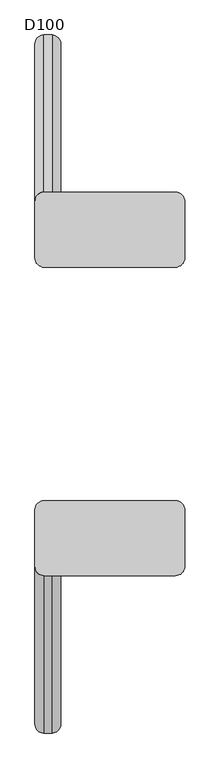
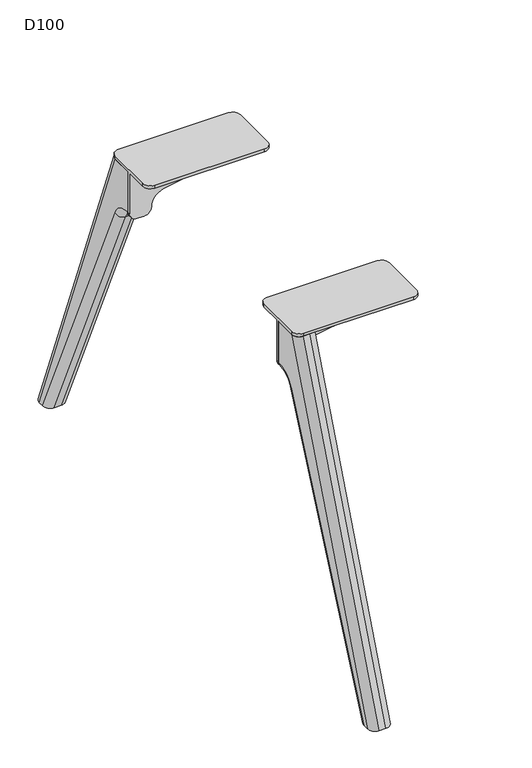
"""IFC4 building model written with IfcOpenShell, lengths in millimetres: furniture geometry, D100."""

from ifc_helpers import new_model, si_unit, point, frame, origin, place, context, project, spatial, polyline, circle_curve, ellipse_curve, trimmed, source, transform, mapped, element, save
from ifc_brep_helpers import plane_surface, cylinder_surface, revolved_surface, advanced_brep


def d100_605b559c(model_context):
    return source(origin(), model_context, "Body", "AdvancedBrep", [
        advanced_brep(
        [(-1783.0, 202.7236545, 706.0), (-1555.0, 202.7236545, 706.0), (-1539.0, 218.7236545, 706.0), (-1539.0, 316.7236545, 706.0), (-1555.0, 332.7236545, 706.0), (-1783.0, 332.7236545, 706.0), (-1799.0, 316.7236545, 706.0), (-1799.0, 218.7236545, 706.0), (-1799.0, 316.7236545, 700.0), (-1783.0, 332.7236545, 700.0), (-1555.0, 332.7236545, 700.0), (-1539.0, 316.7236545, 700.0), (-1539.0, 270.7236545, 700.0), (-1799.0, 270.7236545, 700.0), (-1783.0, 202.7236545, 700.0), (-1799.0, 218.7236545, 700.0), (-1799.0, 264.7236545, 700.0), (-1539.0, 264.7236545, 700.0), (-1539.0, 218.7236545, 700.0), (-1555.0, 202.7236545, 700.0), (-1799.0, 270.7236545, 611.0), (-1799.0, 264.7236545, 611.0), (-1539.0, 264.7236545, 692.1898324), (-1539.0, 270.7236545, 692.1898324), (-1729.2740174, 270.7236545, 641.5327762), (-1754.0036896, 270.7236545, 611.3326759), (-1769.0, 270.7236545, 596.0), (-1784.0, 270.7236545, 596.0), (-1555.4913675, 270.7236545, 672.5), (-1729.2740174, 264.7236545, 641.5327762), (-1555.4913675, 264.7236545, 672.5), (-1784.0, 264.7236545, 596.0), (-1769.0, 264.7236545, 596.0), (-1754.0036896, 264.7236545, 611.3326759)],
        [
            (0, 1),
            (1, 2, circle_curve(frame((-1555.0, 218.7236545, 706.0), z_axis=(0.0, 0.0, 1.0), x_axis=(1.0, 0.0, 0.0)), 16.0)),
            (2, 3),
            (3, 4, circle_curve(frame((-1555.0, 316.7236545, 706.0), z_axis=(0.0, 0.0, 1.0), x_axis=(1.0, 0.0, 0.0)), 16.0)),
            (4, 5),
            (5, 6, circle_curve(frame((-1783.0, 316.7236545, 706.0), z_axis=(0.0, 0.0, 1.0), x_axis=(1.0, 0.0, 0.0)), 16.0)),
            (6, 7),
            (7, 0, circle_curve(frame((-1783.0, 218.7236545, 706.0), z_axis=(0.0, 0.0, 1.0), x_axis=(1.0, 0.0, 0.0)), 16.0)),
            (8, 9, circle_curve(frame((-1783.0, 316.7236545, 700.0), z_axis=(0.0, 0.0, -1.0), x_axis=(1.0, 0.0, 0.0)), 16.0)),
            (9, 10),
            (10, 11, circle_curve(frame((-1555.0, 316.7236545, 700.0), z_axis=(0.0, 0.0, -1.0), x_axis=(1.0, 0.0, 0.0)), 16.0)),
            (11, 12),
            (12, 13),
            (13, 8),
            (14, 15, circle_curve(frame((-1783.0, 218.7236545, 700.0), z_axis=(0.0, 0.0, -1.0), x_axis=(1.0, 0.0, 0.0)), 16.0)),
            (15, 16),
            (16, 17),
            (17, 18),
            (18, 19, circle_curve(frame((-1555.0, 218.7236545, 700.0), z_axis=(0.0, 0.0, -1.0), x_axis=(1.0, 0.0, 0.0)), 16.0)),
            (19, 14),
            (7, 15),
            (14, 0),
            (6, 8),
            (13, 20),
            (20, 21),
            (21, 16),
            (5, 9),
            (4, 10),
            (3, 11),
            (2, 18),
            (17, 22),
            (22, 23),
            (23, 12),
            (1, 19),
            (24, 25, circle_curve(frame((-1724.0110687, 270.7236545, 611.9980276), z_axis=(0.0, -1.0, 0.0), x_axis=(-1.0, 0.0, 0.0)), 30.0)),
            (25, 26, circle_curve(frame((-1769.0, 270.7236545, 611.0), z_axis=(0.0, 1.0, 0.0), x_axis=(-1.0, 0.0, 0.0)), 15.0)),
            (26, 27),
            (27, 20, circle_curve(frame((-1784.0, 270.7236545, 611.0), z_axis=(0.0, 1.0, 0.0), x_axis=(-1.0, 0.0, 0.0)), 15.0)),
            (23, 28, circle_curve(frame((-1559.0, 270.7236545, 692.1898324), z_axis=(0.0, 1.0, 0.0), x_axis=(-1.0, 0.0, 0.0)), 20.0)),
            (28, 24),
            (29, 30),
            (30, 22, circle_curve(frame((-1559.0, 264.7236545, 692.1898324), z_axis=(0.0, -1.0, 0.0), x_axis=(-1.0, 0.0, 0.0)), 20.0)),
            (21, 31, circle_curve(frame((-1784.0, 264.7236545, 611.0), z_axis=(0.0, -1.0, 0.0), x_axis=(-1.0, 0.0, 0.0)), 15.0)),
            (31, 32),
            (32, 33, circle_curve(frame((-1769.0, 264.7236545, 611.0), z_axis=(0.0, -1.0, 0.0), x_axis=(-1.0, 0.0, 0.0)), 15.0)),
            (33, 29, circle_curve(frame((-1724.0110687, 264.7236545, 611.9980276), z_axis=(0.0, 1.0, 0.0), x_axis=(-1.0, 0.0, 0.0)), 30.0)),
            (24, 29),
            (33, 25),
            (30, 28),
            (32, 26),
            (31, 27),
        ],
        [
            plane_surface(frame((-1555.0, 202.7236545, 706.0), z_axis=(0.0, 0.0, 1.0), x_axis=(1.0, 0.0, 0.0))),
            plane_surface(frame((-1555.0, 202.7236545, 700.0), z_axis=(0.0, 0.0, -1.0), x_axis=(-1.0, 0.0, 0.0))),
            cylinder_surface(frame((-1783.0, 218.7236545, 700.0), z_axis=(0.0, 0.0, 1.0), x_axis=(1.0, 0.0, 0.0)), 16.0),
            plane_surface(frame((-1799.0, 316.7236545, 706.0), z_axis=(-1.0, 0.0, 0.0), x_axis=(0.0, 0.0, -1.0))),
            cylinder_surface(frame((-1783.0, 316.7236545, 700.0), z_axis=(0.0, 0.0, 1.0), x_axis=(1.0, 0.0, 0.0)), 16.0),
            plane_surface(frame((-1555.0, 332.7236545, 706.0), z_axis=(0.0, 1.0, 0.0), x_axis=(0.0, 0.0, -1.0))),
            cylinder_surface(frame((-1555.0, 316.7236545, 700.0), z_axis=(0.0, 0.0, 1.0), x_axis=(1.0, 0.0, 0.0)), 16.0),
            plane_surface(frame((-1539.0, 218.7236545, 706.0), z_axis=(1.0, 0.0, 0.0), x_axis=(0.0, 0.0, -1.0))),
            cylinder_surface(frame((-1555.0, 218.7236545, 700.0), z_axis=(0.0, 0.0, 1.0), x_axis=(1.0, 0.0, 0.0)), 16.0),
            plane_surface(frame((-1783.0, 202.7236545, 706.0), z_axis=(0.0, -1.0, 0.0), x_axis=(0.0, 0.0, -1.0))),
            plane_surface(frame((-1754.0110687, 270.7236545, 611.9980276), z_axis=(0.0, 1.0, 0.0), x_axis=(0.0, 0.0, -1.0))),
            plane_surface(frame((-1754.0110687, 264.7236545, 611.9980276), z_axis=(0.0, -1.0, 0.0), x_axis=(0.0, 0.0, 1.0))),
            revolved_surface(polyline([(-1754.0110687, 264.7236545, 611.9980276), (-1754.0110687, 270.7236545, 611.9980276)]), (-1724.0110687, 264.7236545, 611.9980276), (0.0, -1.0, 0.0)),
            cylinder_surface(frame((-1559.0, 264.7236545, 692.1898324), z_axis=(0.0, 1.0, 0.0), x_axis=(-1.0, 0.0, 0.0)), 20.0),
            plane_surface(frame((-1555.4913675, 270.7236545, 672.5), z_axis=(0.17543162299465065, 0.0, -0.9844916178685641), x_axis=(0.0, -1.0, 0.0))),
            cylinder_surface(frame((-1769.0, 264.7236545, 611.0), z_axis=(0.0, 1.0, 0.0), x_axis=(-1.0, 0.0, 0.0)), 15.0),
            plane_surface(frame((-1769.0, 270.7236545, 596.0), z_axis=(0.0, 0.0, -1.0), x_axis=(0.0, -1.0, 0.0))),
            cylinder_surface(frame((-1784.0, 264.7236545, 611.0), z_axis=(0.0, 1.0, 0.0), x_axis=(-1.0, 0.0, 0.0)), 15.0),
        ],
        [
            (0, [[1, 2, 3, 4, 5, 6, 7, 8]]),
            (1, [[9, 10, 11, 12, 13, 14]]),
            (1, [[15, 16, 17, 18, 19, 20]]),
            (2, [[-8, 21, -15, 22]]),
            (3, [[-21, -7, 23, -14, 24, 25, 26, -16]]),
            (4, [[-6, 27, -9, -23]]),
            (5, [[-5, 28, -10, -27]]),
            (6, [[-4, 29, -11, -28]]),
            (7, [[-29, -3, 30, -18, 31, 32, 33, -12]]),
            (8, [[-2, 34, -19, -30]]),
            (9, [[-1, -22, -20, -34]]),
            (10, [[35, 36, 37, 38, -24, -13, -33, 39, 40]]),
            (11, [[41, 42, -31, -17, -26, 43, 44, 45, 46]]),
            (12, [[-35, 47, -46, 48]]),
            (13, [[-39, -32, -42, 49]]),
            (14, [[-40, -49, -41, -47]]),
            (15, [[-36, -48, -45, 50]]),
            (16, [[-37, -50, -44, 51]]),
            (17, [[-38, -51, -43, -25]]),
        ],
    ),
        advanced_brep(
        [(-1754.0, 316.6217076, 700.0), (-1754.0, 270.7236545, 700.0), (-1754.0, 270.7236545, 611.0), (-1754.0, 272.7758244, 611.0), (-1754.0, 319.3435487, 580.82862), (-1754.0, 579.4203292, 0.0), (-1754.0, 589.8218305, 0.0), (-1799.0, 270.7236545, 700.0), (-1799.0, 316.6217076, 700.0), (-1799.0, 589.8218305, 0.0), (-1799.0, 579.4203292, 0.0), (-1799.0, 319.3435487, 580.82862), (-1799.0, 272.7758244, 611.0), (-1799.0, 270.7236545, 611.0), (-1769.0, 332.7236545, 700.0), (-1784.0, 332.7236545, 700.0), (-1769.0, 605.9237773, 0.0), (-1784.0, 605.9237773, 0.0), (-1769.0, 562.9852524, 0.0), (-1784.0, 562.9852524, 0.0), (-1769.0, 305.6533176, 574.6985653), (-1784.0, 305.6533176, 574.6985653), (-1769.0, 272.7758244, 596.0), (-1784.0, 272.7758244, 596.0), (-1769.0, 270.7236545, 596.0), (-1784.0, 270.7236545, 596.0)],
        [
            (0, 1),
            (1, 2),
            (2, 3),
            (3, 4, circle_curve(frame((-1754.0, 272.7758244, 559.9770583), z_axis=(-1.0, 0.0, 0.0), x_axis=(0.0, 0.0, 1.0)), 51.0229417)),
            (4, 5),
            (5, 6),
            (6, 0),
            (7, 8),
            (8, 9),
            (9, 10),
            (10, 11),
            (11, 12, circle_curve(frame((-1799.0, 272.7758244, 559.9770583), z_axis=(1.0, 0.0, 0.0), x_axis=(0.0, 0.0, 1.0)), 51.0229417)),
            (12, 13),
            (13, 7),
            (7, 1),
            (0, 14, ellipse_curve(frame((-1769.0, 316.6217076, 700.0), z_axis=(0.0, 0.0, 1.0), x_axis=(0.0, -1.0, 0.0)), 16.1019468, 15.0)),
            (14, 15),
            (15, 8, ellipse_curve(frame((-1784.0, 316.6217076, 700.0), z_axis=(0.0, 0.0, 1.0), x_axis=(0.0, -1.0, 0.0)), 16.1019468, 15.0)),
            (14, 16),
            (16, 17),
            (17, 15),
            (16, 6, ellipse_curve(frame((-1769.0, 589.8218305, 0.0), z_axis=(0.0, 0.0, -1.0), x_axis=(0.0, -0.9999999999999999, 0.0)), 16.1019468, 15.0)),
            (5, 18, ellipse_curve(frame((-1769.0, 579.4203292, 0.0), z_axis=(0.0, 0.0, -1.0), x_axis=(0.0, 1.0, 0.0)), 16.4350768, 15.0)),
            (18, 19),
            (19, 10, ellipse_curve(frame((-1784.0, 579.4203292, 0.0), z_axis=(0.0, 0.0, -1.0), x_axis=(0.0, 1.0, 0.0)), 16.4350768, 15.0)),
            (9, 17, ellipse_curve(frame((-1784.0, 589.8218305, 0.0), z_axis=(0.0, 0.0, -1.0), x_axis=(0.0, -0.9999999999999999, 0.0)), 16.1019468, 15.0)),
            (18, 20),
            (20, 21),
            (21, 19),
            (20, 22, circle_curve(frame((-1769.0, 272.7758244, 559.9770583), z_axis=(1.0, 0.0, 0.0), x_axis=(0.0, -1.0, 0.0)), 36.0229417)),
            (22, 23),
            (23, 21, circle_curve(frame((-1784.0, 272.7758244, 559.9770583), z_axis=(-1.0, 0.0, 0.0), x_axis=(0.0, -1.0, 0.0)), 36.0229417)),
            (22, 24),
            (24, 25),
            (25, 23),
            (13, 25, circle_curve(frame((-1784.0, 270.7236545, 611.0), z_axis=(0.0, -1.0, 0.0), x_axis=(0.0, 0.0, 1.0)), 15.0)),
            (24, 2, circle_curve(frame((-1769.0, 270.7236545, 611.0), z_axis=(0.0, -1.0, 0.0), x_axis=(0.0, 0.0, 1.0)), 15.0)),
            (12, 23, circle_curve(frame((-1784.0, 272.7758244, 611.0), z_axis=(0.0, -1.0, 0.0), x_axis=(0.0, 0.0, 1.0)), 15.0)),
            (22, 3, circle_curve(frame((-1769.0, 272.7758244, 611.0), z_axis=(0.0, -1.0, 0.0), x_axis=(0.0, 0.0, 1.0)), 15.0)),
            (21, 11, circle_curve(frame((-1784.0, 319.3435487, 580.82862), z_axis=(0.0, 0.4086703164969099, -0.9126820763082375), x_axis=(0.0, 0.9126820763082375, 0.4086703164969099)), 15.0)),
            (4, 20, circle_curve(frame((-1769.0, 319.3435487, 580.82862), z_axis=(0.0, 0.4086703164969099, -0.9126820763082375), x_axis=(0.0, 0.9126820763082375, 0.4086703164969099)), 15.0)),
        ],
        [
            plane_surface(frame((-1754.0, 270.7236545, 596.0), z_axis=(1.0, 0.0, 0.0), x_axis=(0.0, 0.0, -1.0))),
            plane_surface(frame((-1799.0, 270.7236545, 596.0), z_axis=(-1.0, 0.0, 0.0), x_axis=(0.0, 0.0, 1.0))),
            plane_surface(frame((-1754.0, 332.7236545, 700.0), z_axis=(0.0, 0.0, 1.0), x_axis=(-1.0, 0.0, 0.0))),
            plane_surface(frame((-1754.0, 605.9237773, 0.0), z_axis=(0.0, 0.9315643722265751, 0.3635764299265108), x_axis=(-1.0, 0.0, 0.0))),
            plane_surface(frame((-1754.0, 562.9852524, 0.0), z_axis=(0.0, 0.0, -1.0), x_axis=(-1.0, 0.0, 0.0))),
            plane_surface(frame((-1754.0, 305.6533176, 574.6985653), z_axis=(0.0, -0.9126820763082374, -0.40867031649691016), x_axis=(-1.0, 0.0, 0.0))),
            revolved_surface(polyline([(-1784.0, 236.7528827, 559.9770583), (-1769.0, 236.7528827, 559.9770583)]), (-1799.0, 272.7758244, 559.9770583), (-1.0, 0.0, 0.0)),
            plane_surface(frame((-1754.0, 270.7236545, 596.0), z_axis=(0.0, 0.0, -1.0), x_axis=(-1.0, 0.0, 0.0))),
            plane_surface(frame((-1754.0, 270.7236545, 700.0), z_axis=(0.0, -1.0, 0.0), x_axis=(-1.0, 0.0, 0.0))),
            cylinder_surface(frame((-1784.0, 599.6644228, -25.2189296), z_axis=(0.0, -0.3635764299265101, 0.9315643722265754), x_axis=(0.0, -0.9315643722265754, -0.3635764299265101)), 15.0),
            cylinder_surface(frame((-1769.0, 599.6644228, -25.2189296), z_axis=(0.0, -0.3635764299265101, 0.9315643722265754), x_axis=(0.0, -0.9315643722265754, -0.3635764299265101)), 15.0),
            cylinder_surface(frame((-1784.0, -272.7758244, 611.0), z_axis=(0.0, 1.0, 0.0), x_axis=(0.0, 0.0, 1.0)), 15.0),
            cylinder_surface(frame((-1769.0, -272.7758244, 611.0), z_axis=(0.0, 1.0, 0.0), x_axis=(0.0, 0.0, 1.0)), 15.0),
            cylinder_surface(frame((-1784.0, 319.3435487, 580.82862), z_axis=(0.0, 0.4086703164969099, -0.9126820763082375), x_axis=(0.0, 0.9126820763082375, 0.4086703164969099)), 15.0),
            cylinder_surface(frame((-1769.0, 319.3435487, 580.82862), z_axis=(0.0, 0.4086703164969099, -0.9126820763082375), x_axis=(0.0, 0.9126820763082375, 0.4086703164969099)), 15.0),
            revolved_surface(trimmed(ellipse_curve(frame((-1784.0, 272.7758244, 611.0), z_axis=(0.0, -1.0, 0.0), x_axis=(0.0, 0.0, 1.0)), 15.0, 15.0), [point((-1799.0, 272.7758244, 611.0))], [point((-1784.0, 272.7758244, 596.0))], True, "CARTESIAN"), (-1017.0, 272.7758244, 559.9770583), (-1.0, 0.0, 0.0)),
            revolved_surface(trimmed(ellipse_curve(frame((-1769.0, 272.7758244, 611.0), z_axis=(0.0, -1.0, 0.0), x_axis=(0.0, 0.0, 1.0)), 15.0, 15.0), [point((-1769.0, 272.7758244, 596.0))], [point((-1754.0, 272.7758244, 611.0))], True, "CARTESIAN"), (-1017.0, 272.7758244, 559.9770583), (-1.0, 0.0, 0.0)),
        ],
        [
            (0, [[1, 2, 3, 4, 5, 6, 7]]),
            (1, [[8, 9, 10, 11, 12, 13, 14]]),
            (2, [[15, -1, 16, 17, 18, -8]]),
            (3, [[-17, 19, 20, 21]]),
            (4, [[-20, 22, -6, 23, 24, 25, -10, 26]]),
            (5, [[-24, 27, 28, 29]]),
            (6, [[-28, 30, 31, 32]]),
            (7, [[-31, 33, 34, 35]]),
            (8, [[-15, -14, 36, -34, 37, -2]]),
            (9, [[-9, -18, -21, -26]]),
            (10, [[-7, -22, -19, -16]]),
            (11, [[38, -35, -36, -13]]),
            (12, [[39, -3, -37, -33]]),
            (13, [[40, -11, -25, -29]]),
            (14, [[41, -27, -23, -5]]),
            (15, [[-38, -12, -40, -32]]),
            (16, [[-39, -30, -41, -4]]),
        ],
    ),
        advanced_brep(
        [(-1729.2740174, -270.7236545, 641.5327762), (-1555.4913675, -270.7236545, 672.5), (-1539.0, -270.7236545, 692.1898324), (-1539.0, -270.7236545, 700.0), (-1799.0, -270.7236545, 700.0), (-1799.0, -270.7236545, 611.0), (-1784.0, -270.7236545, 596.0), (-1769.0, -270.7236545, 596.0), (-1754.0036896, -270.7236545, 611.3326759), (-1729.2740174, -264.7236545, 641.5327762), (-1754.0036896, -264.7236545, 611.3326759), (-1769.0, -264.7236545, 596.0), (-1784.0, -264.7236545, 596.0), (-1799.0, -264.7236545, 611.0), (-1799.0, -264.7236545, 700.0), (-1539.0, -264.7236545, 700.0), (-1539.0, -264.7236545, 692.1898324), (-1555.4913675, -264.7236545, 672.5), (-1799.0, -218.7236545, 706.0), (-1799.0, -218.7236545, 700.0), (-1799.0, -316.7236545, 700.0), (-1799.0, -316.7236545, 706.0), (-1783.0, -332.7236545, 706.0), (-1555.0, -332.7236545, 706.0), (-1539.0, -316.7236545, 706.0), (-1539.0, -218.7236545, 706.0), (-1555.0, -202.7236545, 706.0), (-1783.0, -202.7236545, 706.0), (-1539.0, -316.7236545, 700.0), (-1539.0, -218.7236545, 700.0), (-1783.0, -202.7236545, 700.0), (-1555.0, -202.7236545, 700.0), (-1555.0, -332.7236545, 700.0), (-1783.0, -332.7236545, 700.0)],
        [
            (0, 1),
            (1, 2, circle_curve(frame((-1559.0, -270.7236545, 692.1898324), z_axis=(0.0, -1.0, 0.0), x_axis=(-1.0, 0.0, 0.0)), 20.0)),
            (2, 3),
            (3, 4),
            (4, 5),
            (5, 6, circle_curve(frame((-1784.0, -270.7236545, 611.0), z_axis=(0.0, -1.0, 0.0), x_axis=(-1.0, 0.0, 0.0)), 15.0)),
            (6, 7),
            (7, 8, circle_curve(frame((-1769.0, -270.7236545, 611.0), z_axis=(0.0, -1.0, 0.0), x_axis=(-1.0, 0.0, 0.0)), 15.0)),
            (8, 0, circle_curve(frame((-1724.0110687, -270.7236545, 611.9980276), z_axis=(0.0, 1.0, 0.0), x_axis=(-1.0, 0.0, 0.0)), 30.0)),
            (9, 10, circle_curve(frame((-1724.0110687, -264.7236545, 611.9980276), z_axis=(0.0, -1.0, 0.0), x_axis=(-1.0, 0.0, 0.0)), 30.0)),
            (10, 11, circle_curve(frame((-1769.0, -264.7236545, 611.0), z_axis=(0.0, 1.0, 0.0), x_axis=(-1.0, 0.0, 0.0)), 15.0)),
            (11, 12),
            (12, 13, circle_curve(frame((-1784.0, -264.7236545, 611.0), z_axis=(0.0, 1.0, 0.0), x_axis=(-1.0, 0.0, 0.0)), 15.0)),
            (13, 14),
            (14, 15),
            (15, 16),
            (16, 17, circle_curve(frame((-1559.0, -264.7236545, 692.1898324), z_axis=(0.0, 1.0, 0.0), x_axis=(-1.0, 0.0, 0.0)), 20.0)),
            (17, 9),
            (8, 10),
            (9, 0),
            (18, 19),
            (19, 14),
            (13, 5),
            (4, 20),
            (20, 21),
            (21, 18),
            (21, 22, circle_curve(frame((-1783.0, -316.7236545, 706.0), z_axis=(0.0, 0.0, 1.0), x_axis=(1.0, 0.0, 0.0)), 16.0)),
            (22, 23),
            (23, 24, circle_curve(frame((-1555.0, -316.7236545, 706.0), z_axis=(0.0, 0.0, 1.0), x_axis=(1.0, 0.0, 0.0)), 16.0)),
            (24, 25),
            (25, 26, circle_curve(frame((-1555.0, -218.7236545, 706.0), z_axis=(0.0, 0.0, 1.0), x_axis=(1.0, 0.0, 0.0)), 16.0)),
            (26, 27),
            (27, 18, circle_curve(frame((-1783.0, -218.7236545, 706.0), z_axis=(0.0, 0.0, 1.0), x_axis=(1.0, 0.0, 0.0)), 16.0)),
            (24, 28),
            (28, 3),
            (2, 16),
            (15, 29),
            (29, 25),
            (1, 17),
            (7, 11),
            (6, 12),
            (30, 31),
            (31, 29, circle_curve(frame((-1555.0, -218.7236545, 700.0), z_axis=(0.0, 0.0, -1.0), x_axis=(1.0, 0.0, 0.0)), 16.0)),
            (19, 30, circle_curve(frame((-1783.0, -218.7236545, 700.0), z_axis=(0.0, 0.0, -1.0), x_axis=(1.0, 0.0, 0.0)), 16.0)),
            (28, 32, circle_curve(frame((-1555.0, -316.7236545, 700.0), z_axis=(0.0, 0.0, -1.0), x_axis=(1.0, 0.0, 0.0)), 16.0)),
            (32, 33),
            (33, 20, circle_curve(frame((-1783.0, -316.7236545, 700.0), z_axis=(0.0, 0.0, -1.0), x_axis=(1.0, 0.0, 0.0)), 16.0)),
            (27, 30),
            (33, 22),
            (32, 23),
            (31, 26),
        ],
        [
            plane_surface(frame((-1555.4913675, -270.7236545, 672.5), z_axis=(0.0, -1.0, 0.0), x_axis=(0.9844916178685641, 0.0, 0.17543162299465065))),
            plane_surface(frame((-1555.4913675, -264.7236545, 672.5), z_axis=(0.0, 1.0, 0.0), x_axis=(-0.9844916178685641, 0.0, -0.17543162299465065))),
            revolved_surface(polyline([(-1754.0110687, -264.7236545, 611.9980276), (-1754.0110687, -270.7236545, 611.9980276)]), (-1724.0110687, -264.7236545, 611.9980276), (0.0, 1.0, 0.0)),
            plane_surface(frame((-1799.0, -270.7236545, 706.0), z_axis=(-1.0, 0.0, 0.0), x_axis=(0.0, 1.0, 0.0))),
            plane_surface(frame((-1539.0, -270.7236545, 706.0), z_axis=(0.0, 0.0, 1.0), x_axis=(0.0, 1.0, 0.0))),
            plane_surface(frame((-1539.0, -270.7236545, 692.1898324), z_axis=(1.0, 0.0, 0.0), x_axis=(0.0, 1.0, 0.0))),
            cylinder_surface(frame((-1559.0, -264.7236545, 692.1898324), z_axis=(0.0, -1.0, 0.0), x_axis=(-1.0, 0.0, 0.0)), 20.0),
            plane_surface(frame((-1729.2740174, -270.7236545, 641.5327762), z_axis=(0.17543162299465065, 0.0, -0.9844916178685641), x_axis=(0.0, 1.0, 0.0))),
            cylinder_surface(frame((-1769.0, -264.7236545, 611.0), z_axis=(0.0, -1.0, 0.0), x_axis=(-1.0, 0.0, 0.0)), 15.0),
            plane_surface(frame((-1784.0, -270.7236545, 596.0), z_axis=(0.0, 0.0, -1.0), x_axis=(0.0, 1.0, 0.0))),
            cylinder_surface(frame((-1784.0, -264.7236545, 611.0), z_axis=(0.0, -1.0, 0.0), x_axis=(-1.0, 0.0, 0.0)), 15.0),
            plane_surface(frame((-1767.0, -218.7236545, 700.0), z_axis=(0.0, 0.0, -1.0), x_axis=(0.0, -1.0, 0.0))),
            cylinder_surface(frame((-1783.0, -218.7236545, 700.0), z_axis=(0.0, 0.0, 1.0), x_axis=(1.0, 0.0, 0.0)), 16.0),
            cylinder_surface(frame((-1783.0, -316.7236545, 700.0), z_axis=(0.0, 0.0, 1.0), x_axis=(1.0, 0.0, 0.0)), 16.0),
            plane_surface(frame((-1783.0, -332.7236545, 706.0), z_axis=(0.0, -1.0, 0.0), x_axis=(0.0, 0.0, -1.0))),
            cylinder_surface(frame((-1555.0, -316.7236545, 700.0), z_axis=(0.0, 0.0, 1.0), x_axis=(1.0, 0.0, 0.0)), 16.0),
            cylinder_surface(frame((-1555.0, -218.7236545, 700.0), z_axis=(0.0, 0.0, 1.0), x_axis=(1.0, 0.0, 0.0)), 16.0),
            plane_surface(frame((-1555.0, -202.7236545, 706.0), z_axis=(0.0, 1.0, 0.0), x_axis=(0.0, 0.0, -1.0))),
        ],
        [
            (0, [[1, 2, 3, 4, 5, 6, 7, 8, 9]]),
            (1, [[10, 11, 12, 13, 14, 15, 16, 17, 18]]),
            (2, [[-9, 19, -10, 20]]),
            (3, [[21, 22, -14, 23, -5, 24, 25, 26]]),
            (4, [[-26, 27, 28, 29, 30, 31, 32, 33]]),
            (5, [[-30, 34, 35, -3, 36, -16, 37, 38]]),
            (6, [[-2, 39, -17, -36]]),
            (7, [[-1, -20, -18, -39]]),
            (8, [[-8, 40, -11, -19]]),
            (9, [[-7, 41, -12, -40]]),
            (10, [[-6, -23, -13, -41]]),
            (11, [[42, 43, -37, -15, -22, 44]]),
            (11, [[45, 46, 47, -24, -4, -35]]),
            (12, [[-33, 48, -44, -21]]),
            (13, [[-27, -25, -47, 49]]),
            (14, [[-28, -49, -46, 50]]),
            (15, [[-29, -50, -45, -34]]),
            (16, [[-31, -38, -43, 51]]),
            (17, [[-32, -51, -42, -48]]),
        ],
    ),
        advanced_brep(
        [(-1754.0, -270.7236545, 700.0), (-1754.0, -316.6217076, 700.0), (-1754.0, -589.8218305, 0.0), (-1754.0, -579.4203292, 0.0), (-1754.0, -319.3435487, 580.82862), (-1754.0, -272.7758244, 611.0), (-1754.0, -270.7236545, 611.0), (-1799.0, -316.6217076, 700.0), (-1799.0, -270.7236545, 700.0), (-1799.0, -270.7236545, 611.0), (-1799.0, -272.7758244, 611.0), (-1799.0, -319.3435487, 580.82862), (-1799.0, -579.4203292, 0.0), (-1799.0, -589.8218305, 0.0), (-1784.0, -332.7236545, 700.0), (-1769.0, -332.7236545, 700.0), (-1784.0, -605.9237773, 0.0), (-1769.0, -605.9237773, 0.0), (-1784.0, -562.9852524, 0.0), (-1769.0, -562.9852524, 0.0), (-1784.0, -305.6533176, 574.6985653), (-1769.0, -305.6533176, 574.6985653), (-1784.0, -272.7758244, 596.0), (-1769.0, -272.7758244, 596.0), (-1784.0, -270.7236545, 596.0), (-1769.0, -270.7236545, 596.0)],
        [
            (0, 1),
            (1, 2),
            (2, 3),
            (3, 4),
            (4, 5, circle_curve(frame((-1754.0, -272.7758244, 559.9770583), z_axis=(-1.0, 0.0, 0.0), x_axis=(0.0, -0.9126820763082378, 0.4086703164969091)), 51.0229417)),
            (5, 6),
            (6, 0),
            (7, 8),
            (8, 9),
            (9, 10),
            (10, 11, circle_curve(frame((-1799.0, -272.7758244, 559.9770583), z_axis=(1.0, 0.0, 0.0), x_axis=(0.0, -0.9126820763082378, 0.4086703164969091)), 51.0229417)),
            (11, 12),
            (12, 13),
            (13, 7),
            (0, 8),
            (7, 14, ellipse_curve(frame((-1784.0, -316.6217076, 700.0), z_axis=(0.0, 0.0, 1.0), x_axis=(0.0, 1.0, 0.0)), 16.1019468, 15.0)),
            (14, 15),
            (15, 1, ellipse_curve(frame((-1769.0, -316.6217076, 700.0), z_axis=(0.0, 0.0, 1.0), x_axis=(0.0, 1.0, 0.0)), 16.1019468, 15.0)),
            (13, 16, ellipse_curve(frame((-1784.0, -589.8218305, 0.0), z_axis=(0.0, 0.0, 1.0), x_axis=(0.0, 0.9999999999999999, 0.0)), 16.1019468, 15.0)),
            (16, 14),
            (15, 17),
            (17, 2, ellipse_curve(frame((-1769.0, -589.8218305, 0.0), z_axis=(0.0, 0.0, 1.0), x_axis=(0.0, 0.9999999999999999, 0.0)), 16.1019468, 15.0)),
            (16, 17),
            (12, 18, ellipse_curve(frame((-1784.0, -579.4203292, 0.0), z_axis=(0.0, 0.0, -1.0), x_axis=(0.0, 1.0, 0.0)), 16.4350768, 15.0)),
            (18, 19),
            (19, 3, ellipse_curve(frame((-1769.0, -579.4203292, 0.0), z_axis=(0.0, 0.0, -1.0), x_axis=(0.0, 1.0, 0.0)), 16.4350768, 15.0)),
            (18, 20),
            (20, 21),
            (21, 19),
            (20, 22, circle_curve(frame((-1784.0, -272.7758244, 559.9770583), z_axis=(-1.0, 0.0, 0.0), x_axis=(0.0, 1.0, 0.0)), 36.0229417)),
            (22, 23),
            (23, 21, circle_curve(frame((-1769.0, -272.7758244, 559.9770583), z_axis=(1.0, 0.0, 0.0), x_axis=(0.0, 1.0, 0.0)), 36.0229417)),
            (22, 24),
            (24, 25),
            (25, 23),
            (6, 25, circle_curve(frame((-1769.0, -270.7236545, 611.0), z_axis=(0.0, 1.0, 0.0), x_axis=(0.0, 0.0, 1.0)), 15.0)),
            (24, 9, circle_curve(frame((-1784.0, -270.7236545, 611.0), z_axis=(0.0, 1.0, 0.0), x_axis=(0.0, 0.0, 1.0)), 15.0)),
            (11, 20, circle_curve(frame((-1784.0, -319.3435487, 580.82862), z_axis=(0.0, -0.40867031649690977, -0.9126820763082376), x_axis=(0.0, -0.9126820763082376, 0.40867031649690977)), 15.0)),
            (21, 4, circle_curve(frame((-1769.0, -319.3435487, 580.82862), z_axis=(0.0, -0.40867031649690977, -0.9126820763082376), x_axis=(0.0, -0.9126820763082376, 0.40867031649690977)), 15.0)),
            (22, 10, circle_curve(frame((-1784.0, -272.7758244, 611.0), z_axis=(0.0, 1.0, 0.0), x_axis=(0.0, 0.0, 1.0)), 15.0)),
            (5, 23, circle_curve(frame((-1769.0, -272.7758244, 611.0), z_axis=(0.0, 1.0, 0.0), x_axis=(0.0, 0.0, 1.0)), 15.0)),
        ],
        [
            plane_surface(frame((-1754.0, -291.5455549, 700.0), z_axis=(1.0, 0.0, 0.0), x_axis=(0.0, -1.0, 0.0))),
            plane_surface(frame((-1799.0, -291.5455549, 700.0), z_axis=(-1.0, 0.0, 0.0), x_axis=(0.0, 1.0, 0.0))),
            plane_surface(frame((-1754.0, -270.7236545, 700.0), z_axis=(0.0, 0.0, 1.0), x_axis=(-1.0, 0.0, 0.0))),
            cylinder_surface(frame((-1784.0, -599.6644228, -25.2189296), z_axis=(0.0, 0.3635764299265101, 0.9315643722265754), x_axis=(0.0, -0.9315643722265754, 0.3635764299265101)), 15.0),
            cylinder_surface(frame((-1769.0, -599.6644228, -25.2189296), z_axis=(0.0, 0.3635764299265101, 0.9315643722265754), x_axis=(0.0, -0.9315643722265754, 0.3635764299265101)), 15.0),
            plane_surface(frame((-1754.0, -332.7236545, 700.0), z_axis=(0.0, -0.9315643722265751, 0.3635764299265108), x_axis=(-1.0, 0.0, 0.0))),
            plane_surface(frame((-1754.0, -605.9237773, 0.0), z_axis=(0.0, 0.0, -1.0), x_axis=(-1.0, 0.0, 0.0))),
            plane_surface(frame((-1754.0, -562.9852524, 0.0), z_axis=(0.0, 0.9126820763082374, -0.40867031649691016), x_axis=(-1.0, 0.0, 0.0))),
            revolved_surface(polyline([(-1784.0, -236.7528827, 559.9770583), (-1769.0, -236.7528827, 559.9770583)]), (-1799.0, -272.7758244, 559.9770583), (-1.0, 0.0, 0.0)),
            plane_surface(frame((-1754.0, -272.7758244, 596.0), z_axis=(0.0, 0.0, -1.0), x_axis=(-1.0, 0.0, 0.0))),
            plane_surface(frame((-1754.0, -270.7236545, 596.0), z_axis=(0.0, 1.0, 0.0), x_axis=(-1.0, 0.0, 0.0))),
            cylinder_surface(frame((-1784.0, -584.7803586, -11.9705362), z_axis=(0.0, 0.40867031649690977, 0.9126820763082376), x_axis=(0.0, -0.9126820763082376, 0.40867031649690977)), 15.0),
            cylinder_surface(frame((-1769.0, -584.7803586, -11.9705362), z_axis=(0.0, 0.40867031649690977, 0.9126820763082376), x_axis=(0.0, -0.9126820763082376, 0.40867031649690977)), 15.0),
            cylinder_surface(frame((-1784.0, -272.7758244, 611.0), z_axis=(0.0, 1.0, 0.0), x_axis=(0.0, 0.0, 1.0)), 15.0),
            cylinder_surface(frame((-1769.0, -272.7758244, 611.0), z_axis=(0.0, 1.0, 0.0), x_axis=(0.0, 0.0, 1.0)), 15.0),
            revolved_surface(trimmed(ellipse_curve(frame((-1784.0, -319.3435487, 580.82862), z_axis=(0.0, -0.4086703164969089, -0.9126820763082379), x_axis=(0.0, -0.9126820763082379, 0.4086703164969089)), 15.0, 15.0), [point((-1799.0, -319.3435487, 580.82862))], [point((-1784.0, -305.6533176, 574.6985653))], True, "CARTESIAN"), (-1017.0, -272.7758244, 559.9770583), (-1.0, 0.0, 0.0)),
            revolved_surface(trimmed(ellipse_curve(frame((-1769.0, -319.3435487, 580.82862), z_axis=(0.0, -0.4086703164969089, -0.9126820763082379), x_axis=(0.0, -0.9126820763082379, 0.4086703164969089)), 15.0, 15.0), [point((-1769.0, -305.6533176, 574.6985653))], [point((-1754.0, -319.3435487, 580.82862))], True, "CARTESIAN"), (-1017.0, -272.7758244, 559.9770583), (-1.0, 0.0, 0.0)),
        ],
        [
            (0, [[1, 2, 3, 4, 5, 6, 7]]),
            (1, [[8, 9, 10, 11, 12, 13, 14]]),
            (2, [[15, -8, 16, 17, 18, -1]]),
            (3, [[-14, 19, 20, -16]]),
            (4, [[-2, -18, 21, 22]]),
            (5, [[-17, -20, 23, -21]]),
            (6, [[-23, -19, -13, 24, 25, 26, -3, -22]]),
            (7, [[-25, 27, 28, 29]]),
            (8, [[-28, 30, 31, 32]]),
            (9, [[-31, 33, 34, 35]]),
            (10, [[-15, -7, 36, -34, 37, -9]]),
            (11, [[38, -27, -24, -12]]),
            (12, [[39, -4, -26, -29]]),
            (13, [[40, -10, -37, -33]]),
            (14, [[41, -35, -36, -6]]),
            (15, [[-38, -11, -40, -30]]),
            (16, [[-39, -32, -41, -5]]),
        ],
    ),
    ])


if __name__ == "__main__":
    model = new_model("IFC4")
    model_context = context("Model", 3, world=origin())
    ifc_project = project(units=[si_unit("LENGTHUNIT", "METRE", prefix="MILLI")], contexts=[model_context])
    site = spatial("IfcSite", under=ifc_project)
    building = spatial("IfcBuilding", under=site)
    placement = place(None, origin())
    d100_shape = d100_605b559c(model_context)
    element("IfcFurniture", 1, ObjectType="D100", at=placement, inside=building, context=model_context, shape_type="MappedRepresentation", body=[
        mapped(d100_shape, transform((0.0, 0.0, 0.0), x_axis=(1.0, 0.0, 0.0), y_axis=(0.0, 1.0, 0.0), z_axis=(0.0, 0.0, 1.0))),
    ])
    save(model, "model.ifc")
